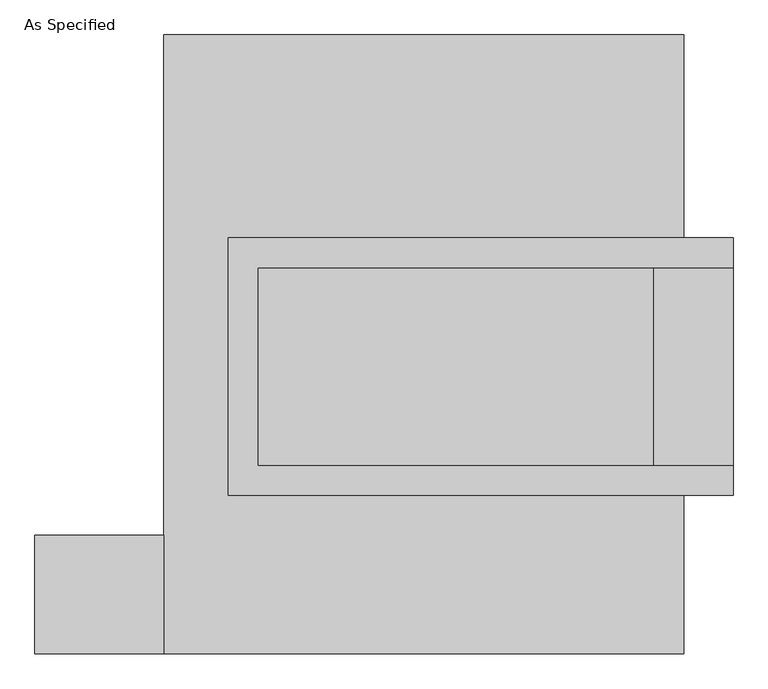
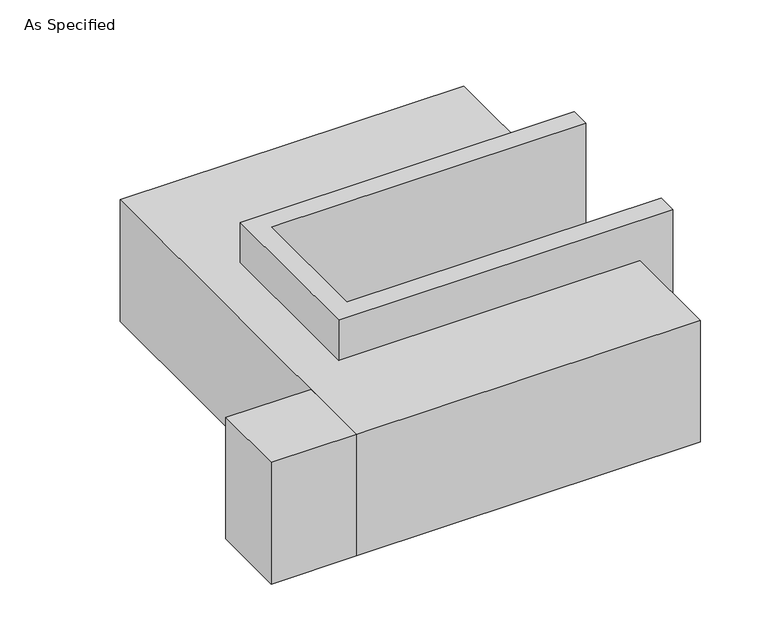
"""IFC4 building model written with IfcOpenShell, lengths in millimetres: proxy geometry, As Specified."""

from ifc_helpers import new_model, si_unit, frame, origin, place, context, project, spatial, polyline, outline, extrude, faceted_brep, source, transform, mapped, element, save


def as_specified_7cac9e87(model_context):
    return source(origin(), model_context, "Body", "SolidModel", [
        extrude(outline(polyline([(-666.75, -793.75), (-996.95, -793.75), (-996.95, -488.95), (-666.75, -488.95), (-666.75, -793.75)])), frame((0.0, 0.0, -523.9742188), z_axis=(0.0, 0.0, 1.0), x_axis=(1.0, 0.0, 0.0)), (0.0, 0.0, 1.0), 498.5742187),
        faceted_brep([(-501.65, 273.05, 139.7), (-501.65, 273.05, -393.7), (-501.65, 196.85, -393.7), (-501.65, 196.85, -25.4), (-501.65, -311.15, -25.4), (-501.65, -311.15, -393.7), (-501.65, -387.35, -393.7), (-501.65, -387.35, 139.7), (793.75, 196.85, 139.7), (793.75, 196.85, -317.5), (793.75, -311.15, -317.5), (793.75, -311.15, 139.7), (793.75, -387.35, 139.7), (793.75, -387.35, -393.7), (793.75, 273.05, -393.7), (793.75, 273.05, 139.7), (-425.45, -311.15, 139.7), (-425.45, 196.85, 139.7), (590.55, -311.15, -393.7), (590.55, 196.85, -393.7), (590.55, -311.15, -317.5), (-425.45, -311.15, -25.4), (590.55, 196.85, -317.5), (-425.45, 196.85, -25.4)], [[[0, 1, 2, 3, 4, 5, 6, 7]], [[8, 9, 10, 11, 12, 13, 14, 15]], [[0, 7, 12, 11, 16, 17, 8, 15]], [[1, 0, 15, 14]], [[14, 13, 6, 5, 18, 19, 2, 1]], [[7, 6, 13, 12]], [[11, 10, 20, 18, 5, 4, 21, 16]], [[10, 9, 22, 20]], [[9, 8, 17, 23, 3, 2, 19, 22]], [[18, 20, 22, 19]], [[23, 21, 4, 3]], [[17, 16, 21, 23]]]),
        faceted_brep([(-666.75, 793.75, -523.9742188), (666.75, 793.75, -523.9742188), (666.75, -793.75, -523.9742188), (-666.75, -793.75, -523.9742188), (666.75, 793.75, -25.4), (-666.75, 793.75, -25.4), (-666.75, -793.75, -25.4), (666.75, -793.75, -25.4), (666.75, -387.35, -25.4), (-501.65, -387.35, -25.4), (-501.65, 273.05, -25.4), (666.75, 273.05, -25.4), (666.75, 273.05, -393.7), (666.75, -387.35, -393.7), (-501.65, -387.35, -393.7), (-501.65, 273.05, -393.7)], [[[0, 1, 2, 3]], [[4, 5, 6, 7, 8, 9, 10, 11]], [[1, 0, 5, 4]], [[5, 0, 3, 6]], [[1, 4, 11, 12, 13, 8, 7, 2]], [[3, 2, 7, 6]], [[14, 15, 10, 9]], [[10, 15, 12, 11]], [[15, 14, 13, 12]], [[14, 9, 8, 13]]]),
    ])


if __name__ == "__main__":
    model = new_model("IFC4")
    model_context = context("Model", 3, world=origin())
    ifc_project = project(units=[si_unit("LENGTHUNIT", "METRE", prefix="MILLI")], contexts=[model_context])
    site = spatial("IfcSite", under=ifc_project)
    building = spatial("IfcBuilding", under=site)
    placement = place(None, origin())
    as_specified_shape = as_specified_7cac9e87(model_context)
    element("IfcBuildingElementProxy", 1, Name="As Specified", ObjectType="As Specified", at=placement, inside=building, context=model_context, shape_type="MappedRepresentation", body=[
        mapped(as_specified_shape, transform((0.0, 0.0, 0.0), x_axis=(1.0, 0.0, 0.0), y_axis=(0.0, 1.0, 0.0), z_axis=(0.0, 0.0, 1.0))),
    ])
    save(model, "model.ifc")
